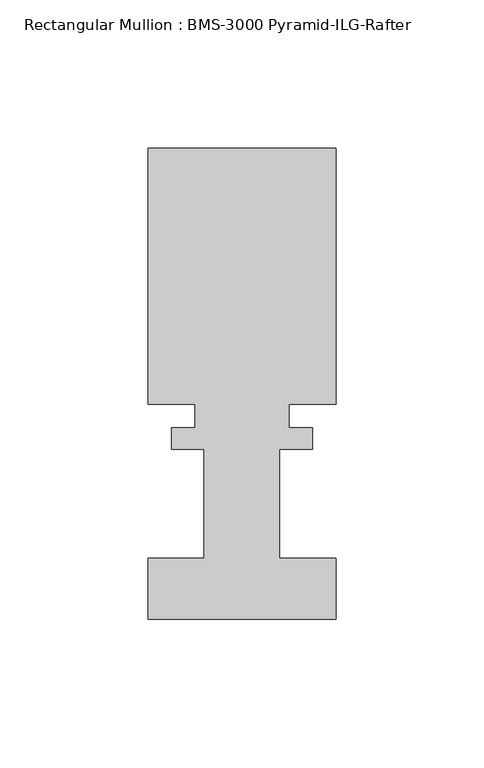
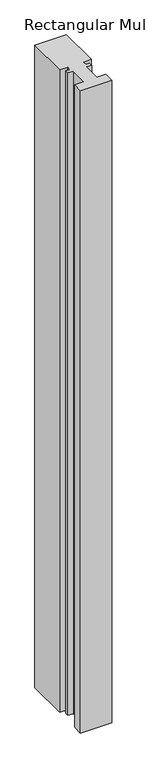
"""IFC4 building model written with IfcOpenShell, lengths in millimetres: member geometry, Rectangular Mullion : BMS-3000 Pyramid-ILG-Rafter."""

from ifc_helpers import new_model, si_unit, frame, origin, place, context, project, spatial, polyline, outline, extrude, source, transform, mapped, element, save


def rectangular_mullion_bms_3000_pyramid_ilg_rafter_03773256(model_context):
    return source(origin(), model_context, "Body", "SweptSolid", [
        extrude(outline(polyline([(23.8252, 61.3362375), (23.8252, 54.0742188), (12.7, 54.0742187), (12.7, 17.3180375), (31.75, 17.2799375), (31.75, -3.3575625), (-31.75, -3.3575625), (-31.75, 17.3180375), (-12.7, 17.3180375), (-12.7, 54.0742188), (-23.8252, 54.0742187), (-23.8252, 61.3362375), (-15.875, 61.3362375), (-15.875, 69.2356375), (-31.75, 69.2356375), (-31.75, 155.7734375), (31.75, 155.7734375), (31.75, 69.2356375), (15.875, 69.2356375), (15.875, 61.3362375), (23.8252, 61.3362375)])), frame((0.0, 0.0, -1371.6), z_axis=(0.0, 0.0, 1.0), x_axis=(1.0, 0.0, 0.0)), (0.0, 0.0, 1.0), 1371.6),
    ])


if __name__ == "__main__":
    model = new_model("IFC4")
    model_context = context("Model", 3, world=origin())
    ifc_project = project(units=[si_unit("LENGTHUNIT", "METRE", prefix="MILLI")], contexts=[model_context])
    site = spatial("IfcSite", under=ifc_project)
    building = spatial("IfcBuilding", under=site)
    placement = place(None, origin())
    rectangular_mullion_bms_3000_pyramid_ilg_rafter_shape = rectangular_mullion_bms_3000_pyramid_ilg_rafter_03773256(model_context)
    element("IfcMember", 1, ObjectType="Rectangular Mullion : BMS-3000 Pyramid-ILG-Rafter", at=placement, inside=building, context=model_context, shape_type="MappedRepresentation", body=[
        mapped(rectangular_mullion_bms_3000_pyramid_ilg_rafter_shape, transform((0.0, 0.0, 0.0), x_axis=(1.0, 0.0, 0.0), y_axis=(0.0, 1.0, 0.0), z_axis=(0.0, 0.0, 1.0))),
    ])
    save(model, "model.ifc")
